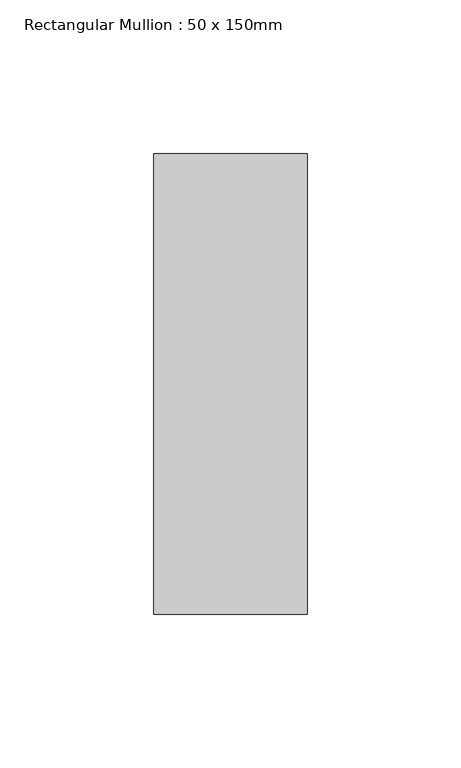
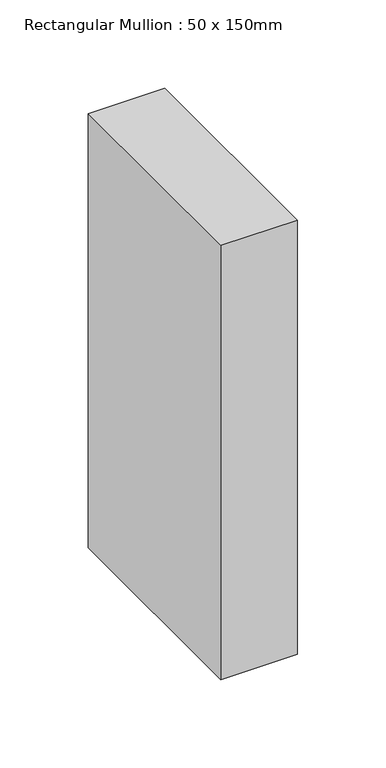
"""IFC4 building model written with IfcOpenShell, lengths in millimetres: member geometry, Rectangular Mullion : 50 x 150mm."""

import ifcopenshell
import ifcopenshell.guid

model = None  # the IFC model being written
_history = None  # IfcOwnerHistory: only IFC2X3 demands one
_inside = {}  # id of a spatial element -> (the spatial element, [elements in it])
_under = {}  # id of a project, library or spatial element -> (it, [spatial elements below it])
_declared = {}  # id of a project -> (the project, [libraries it declares])
_typed = {}  # id of a type object -> (the type object, [elements of that type])
_made_of = {}  # id of a material, layer set ... -> (it, [elements and type objects made of it])


def new_model(schema):
    """Start an empty IFC model of exactly this schema.

    Asked for "IFC4X3", IfcOpenShell would pick the latest addendum, in which some entities
    have other attributes; the version numbers below select the first issue.
    IFC2X3 requires an IfcOwnerHistory on every rooted entity: one is made here for all.
    """
    global model, _history
    if schema == "IFC4X3":
        model = ifcopenshell.file(schema_version=(4, 3, 0, 0))
    else:
        model = ifcopenshell.file(schema=schema)
    _inside.clear()
    _under.clear()
    _declared.clear()
    _typed.clear()
    _made_of.clear()
    _history = None
    if model.schema == "IFC2X3":
        org = make("IfcOrganization", Name="unknown")
        user = make(
            "IfcPersonAndOrganization",
            ThePerson=make("IfcPerson", FamilyName="unknown"),
            TheOrganization=org,
        )
        app = make(
            "IfcApplication",
            ApplicationDeveloper=org,
            Version="unknown",
            ApplicationFullName="unknown",
            ApplicationIdentifier="unknown",
        )
        _history = make(
            "IfcOwnerHistory",
            OwningUser=user,
            OwningApplication=app,
            ChangeAction="ADDED",
            CreationDate=0,
        )
    return model


def make(cls, **values):
    """One entity of the class cls with the attributes given. An attribute that is None is left unset."""
    return model.create_entity(
        cls, **{name: value for name, value in values.items() if value is not None}
    )


def rooted(cls, **values):
    """An entity with a GlobalId (a new one), such as an element, a storey or a relation."""
    return make(cls, GlobalId=ifcopenshell.guid.new(), OwnerHistory=_history, **values)


def si_unit(unit_type, name, prefix=None):
    """IfcSIUnit, for example si_unit("LENGTHUNIT", "METRE", prefix="MILLI")."""
    return make("IfcSIUnit", UnitType=unit_type, Prefix=prefix, Name=name)


def assignment(units):
    """IfcUnitAssignment: the units of a project."""
    return None if units is None else make("IfcUnitAssignment", Units=units)


def point(xyz):
    """IfcCartesianPoint."""
    return None if xyz is None else make("IfcCartesianPoint", Coordinates=xyz)


def direction(xyz):
    """IfcDirection."""
    return None if xyz is None else make("IfcDirection", DirectionRatios=xyz)


def frame(location, z_axis=None, x_axis=None):
    """IfcAxis2Placement3D, a coordinate frame: its origin and axes. An axis left out is left unset."""
    return make(
        "IfcAxis2Placement3D",
        Location=point(location),
        Axis=direction(z_axis),
        RefDirection=direction(x_axis),
    )


def origin():
    """The frame at (0, 0, 0) with its axes left unset."""
    return frame((0.0, 0.0, 0.0))


def place(relative_to, where):
    """IfcLocalPlacement: puts the frame where relative to a parent placement (None: the world)."""
    return make(
        "IfcLocalPlacement", PlacementRelTo=relative_to, RelativePlacement=where
    )


def context(
    kind, dimensions, precision=None, world=None, true_north=None, identifier=None
):
    """IfcGeometricRepresentationContext, for example the 3D "Model" context."""
    return make(
        "IfcGeometricRepresentationContext",
        ContextIdentifier=identifier,
        ContextType=kind,
        CoordinateSpaceDimension=dimensions,
        Precision=precision,
        WorldCoordinateSystem=world,
        TrueNorth=true_north,
    )


def project(units=None, contexts=None):
    """IfcProject with its units and contexts."""
    return rooted(
        "IfcProject",
        Name="project",
        RepresentationContexts=contexts,
        UnitsInContext=assignment(units),
    )


def spatial(cls, under=None, at=None, **own):
    """A site, building, storey or space (cls), placed at a placement, below another one or the project."""
    s = rooted(cls, ObjectPlacement=at, **own)
    if under is not None:
        _under.setdefault(under.id(), (under, []))[1].append(s)
    return s


def polyline(points):
    """IfcPolyline through the points."""
    return make("IfcPolyline", Points=[point(p) for p in points])


def outline(outer, holes=None, kind="AREA"):
    """IfcArbitraryClosedProfileDef: a profile drawn as a closed curve; with holes, ...WithVoids."""
    if holes is None:
        return make("IfcArbitraryClosedProfileDef", ProfileType=kind, OuterCurve=outer)
    return make(
        "IfcArbitraryProfileDefWithVoids",
        ProfileType=kind,
        OuterCurve=outer,
        InnerCurves=holes,
    )


def extrude(swept, where, along, depth):
    """IfcExtrudedAreaSolid: the profile swept, set in the frame where, extruded along a direction by depth."""
    return make(
        "IfcExtrudedAreaSolid",
        SweptArea=swept,
        Position=where,
        ExtrudedDirection=direction(along),
        Depth=depth,
    )


def shape(context_of_items, identifier, shape_type, items):
    """IfcShapeRepresentation: the items that make up one representation, for example the "Body"."""
    return make(
        "IfcShapeRepresentation",
        ContextOfItems=context_of_items,
        RepresentationIdentifier=identifier,
        RepresentationType=shape_type,
        Items=items,
    )


def source(mapping_origin, context_of_items, identifier, shape_type, items):
    """IfcRepresentationMap: a shape defined once, which mapped items show again and again."""
    return make(
        "IfcRepresentationMap",
        MappingOrigin=mapping_origin,
        MappedRepresentation=shape(context_of_items, identifier, shape_type, items),
    )


def transform(
    local_origin,
    x_axis=None,
    y_axis=None,
    z_axis=None,
    scale=None,
    scale2=None,
    scale3=None,
    uniform=True,
):
    """IfcCartesianTransformationOperator3D, or its non-uniform kind. x_axis, y_axis, z_axis: its Axis1, 2, 3."""
    if uniform:
        return make(
            "IfcCartesianTransformationOperator3D",
            Axis1=direction(x_axis),
            Axis2=direction(y_axis),
            LocalOrigin=point(local_origin),
            Scale=scale,
            Axis3=direction(z_axis),
        )
    return make(
        "IfcCartesianTransformationOperator3DnonUniform",
        Axis1=direction(x_axis),
        Axis2=direction(y_axis),
        LocalOrigin=point(local_origin),
        Scale=scale,
        Axis3=direction(z_axis),
        Scale2=scale2,
        Scale3=scale3,
    )


def mapped(mapping_source, mapping_target):
    """IfcMappedItem: shows the shape of a source again, moved by a transform."""
    return make(
        "IfcMappedItem", MappingSource=mapping_source, MappingTarget=mapping_target
    )


def made_of(thing, what):
    """Note that an element or type object is made of a material, layer set ...; save() writes the relation."""
    if what is not None:
        _made_of.setdefault(what.id(), (what, []))[1].append(thing)
    return thing


def element(
    cls,
    number,
    at=None,
    inside=None,
    cuts=None,
    type_object=None,
    material=None,
    context=None,
    identifier="Body",
    shape_type=None,
    held_by="IfcProductDefinitionShape",
    body=None,
    shapes=None,
    **own,
):
    """One element of the class cls, such as IfcWall. Its Tag is "e" and its number.

    at: its placement. inside: the storey or other place that contains it. cuts: it is an
    opening in that element (IfcRelVoidsElement). A single representation is given by context,
    identifier, shape_type and body (its items); several are given by shapes. held_by: the class
    of the entity that holds the representations. save() writes the other relations.
    """
    e = rooted(cls, Tag="e%d" % number, ObjectPlacement=at, **own)
    if body is not None:
        shapes = [shape(context, identifier, shape_type, body)]
    if shapes is not None:
        e.Representation = make(held_by, Representations=shapes)
    if inside is not None:
        _inside.setdefault(inside.id(), (inside, []))[1].append(e)
    if cuts is not None:
        rooted(
            "IfcRelVoidsElement", RelatingBuildingElement=cuts, RelatedOpeningElement=e
        )
    if type_object is not None:
        _typed.setdefault(type_object.id(), (type_object, []))[1].append(e)
    return made_of(e, material)


def aggregate(whole, parts):
    """IfcRelAggregates: a whole, such as a stair, and the parts it consists of."""
    return rooted("IfcRelAggregates", RelatingObject=whole, RelatedObjects=parts)


def save(model, path):
    """Write the relations noted so far, then the file.

    IfcRelAggregates (storeys below a building ...), IfcRelContainedInSpatialStructure (elements
    in a storey), IfcRelDefinesByType, IfcRelAssociatesMaterial and IfcRelDeclares: one each for
    every whole, place, type object, material and project.
    """
    for whole, parts in _under.values():
        aggregate(whole, parts)
    for where, things in _inside.values():
        rooted(
            "IfcRelContainedInSpatialStructure",
            RelatedElements=things,
            RelatingStructure=where,
        )
    for kind, things in _typed.values():
        rooted("IfcRelDefinesByType", RelatedObjects=things, RelatingType=kind)
    for what, things in _made_of.values():
        rooted("IfcRelAssociatesMaterial", RelatedObjects=things, RelatingMaterial=what)
    for by, libraries in _declared.values():
        rooted("IfcRelDeclares", RelatingContext=by, RelatedDefinitions=libraries)
    model.write(path)


def rectangular_mullion_50_x_150mm_82697a32(model_context):
    return source(origin(), model_context, "Body", "SweptSolid", [
        extrude(outline(polyline([(0.0, 75.0), (0.0, -75.0), (-50.0, -75.0), (-50.0, 75.0), (0.0, 75.0)])), frame((0.0, 0.0, -300.0), z_axis=(0.0, 0.0, 1.0), x_axis=(1.0, 0.0, 0.0)), (0.0, 0.0, 1.0), 300.0),
    ])


if __name__ == "__main__":
    model = new_model("IFC4")
    model_context = context("Model", 3, world=origin())
    ifc_project = project(units=[si_unit("LENGTHUNIT", "METRE", prefix="MILLI")], contexts=[model_context])
    site = spatial("IfcSite", under=ifc_project)
    building = spatial("IfcBuilding", under=site)
    placement = place(None, origin())
    rectangular_mullion_50_x_150mm_shape = rectangular_mullion_50_x_150mm_82697a32(model_context)
    element("IfcMember", 1, ObjectType="Rectangular Mullion : 50 x 150mm", at=placement, inside=building, context=model_context, shape_type="MappedRepresentation", body=[
        mapped(rectangular_mullion_50_x_150mm_shape, transform((0.0, 0.0, 0.0), x_axis=(1.0, 0.0, 0.0), y_axis=(0.0, 1.0, 0.0), z_axis=(0.0, 0.0, 1.0))),
    ])
    save(model, "model.ifc")
